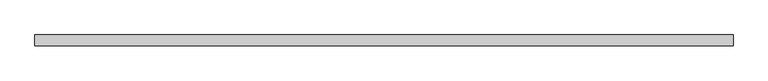
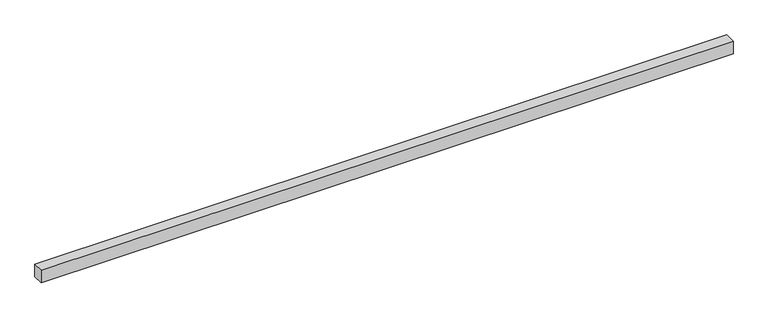
"""IFC4 building model written with IfcOpenShell, lengths in millimetres: proxy geometry."""

from ifc_helpers import new_model, si_unit, origin, origin_with_axes, place, context, project, spatial, polyline, outline, extrude, source, transform, mapped, element, save


def generic_models_fbcb08ff(model_context):
    return source(origin(), model_context, "Body", "SweptSolid", [
        extrude(outline(polyline([(5150.0, -40.0), (0.0, -40.0), (0.0, 40.0), (5150.0, 40.0), (5150.0, -40.0)])), origin_with_axes(), (0.0, 0.0, 1.0), 100.0),
    ])


if __name__ == "__main__":
    model = new_model("IFC4")
    model_context = context("Model", 3, world=origin())
    ifc_project = project(units=[si_unit("LENGTHUNIT", "METRE", prefix="MILLI")], contexts=[model_context])
    site = spatial("IfcSite", under=ifc_project)
    building = spatial("IfcBuilding", under=site)
    placement = place(None, origin())
    generic_models_shape = generic_models_fbcb08ff(model_context)
    element("IfcBuildingElementProxy", 1, Name="Generic Models", at=placement, inside=building, context=model_context, shape_type="MappedRepresentation", body=[
        mapped(generic_models_shape, transform((0.0, 0.0, 0.0), x_axis=(1.0, 0.0, 0.0), y_axis=(0.0, 1.0, 0.0), z_axis=(0.0, 0.0, 1.0))),
    ])
    save(model, "model.ifc")
